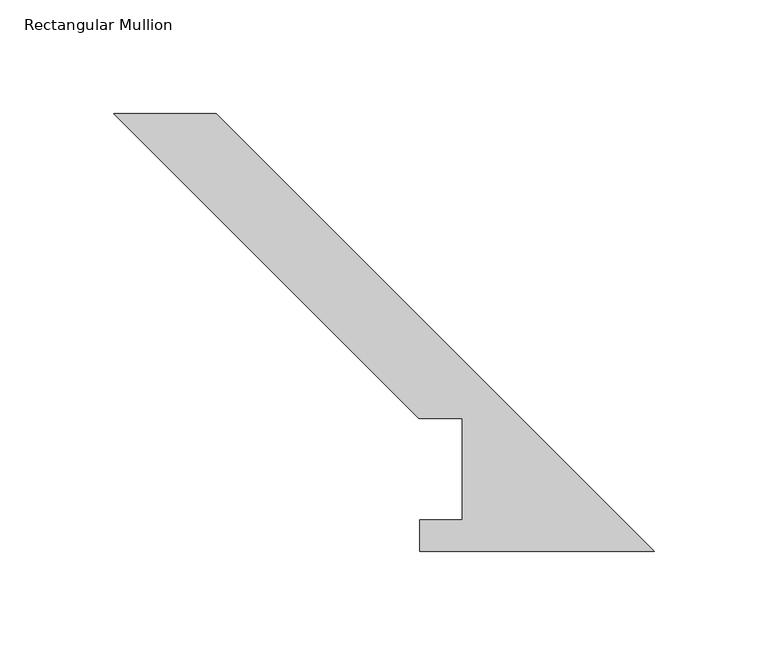
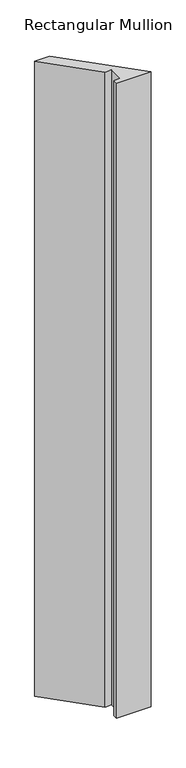
"""IFC4 building model written with IfcOpenShell, lengths in millimetres: member geometry, Rectangular Mullion."""

from ifc_helpers import new_model, si_unit, frame, origin, place, context, project, spatial, polyline, outline, extrude, source, transform, mapped, element, save


def rectangular_mullion_4ad53d89(model_context):
    return source(origin(), model_context, "Body", "SweptSolid", [
        extrude(outline(polyline([(-236.9958475, 192.0807432), (-192.0945669, 192.0807432), (0.0, -0.0138237), (-102.8720048, -0.0138237), (-102.8720048, 13.890625), (-84.2057293, 13.890625), (-84.2057293, 58.340625), (-103.2557293, 58.340625), (-236.9958475, 192.0807432)])), frame((0.0, 0.0, -2006.6), z_axis=(0.0, 0.0, 1.0), x_axis=(1.0, 0.0, 0.0)), (0.0, 0.0, 1.0), 2006.6),
    ])


if __name__ == "__main__":
    model = new_model("IFC4")
    model_context = context("Model", 3, world=origin())
    ifc_project = project(units=[si_unit("LENGTHUNIT", "METRE", prefix="MILLI")], contexts=[model_context])
    site = spatial("IfcSite", under=ifc_project)
    building = spatial("IfcBuilding", under=site)
    placement = place(None, origin())
    rectangular_mullion_shape = rectangular_mullion_4ad53d89(model_context)
    element("IfcMember", 1, ObjectType="Rectangular Mullion", at=placement, inside=building, context=model_context, shape_type="MappedRepresentation", body=[
        mapped(rectangular_mullion_shape, transform((0.0, 0.0, 0.0), x_axis=(1.0, 0.0, 0.0), y_axis=(0.0, 1.0, 0.0), z_axis=(0.0, 0.0, 1.0))),
    ])
    save(model, "model.ifc")
